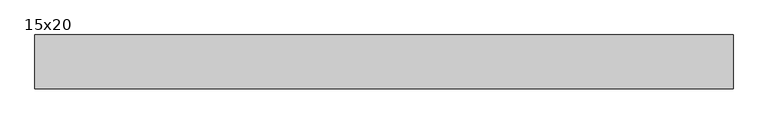
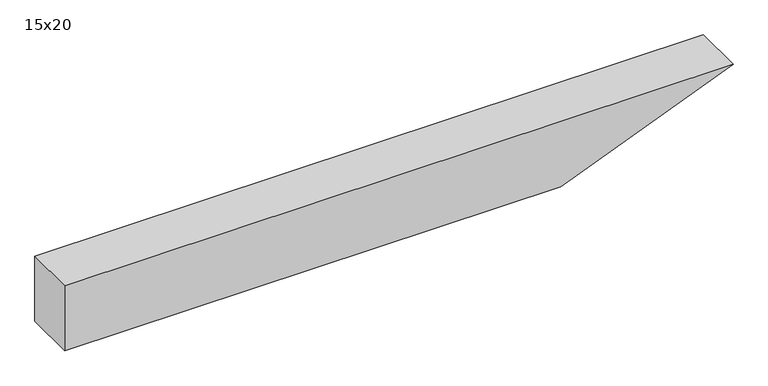
"""IFC4 building model written with IfcOpenShell, lengths in millimetres: beam geometry, 15x20."""

from ifc_helpers import new_model, si_unit, frame, origin, place, context, project, spatial, polyline, outline, extrude, source, transform, mapped, element, save


def beam_15x20_a1709149(model_context):
    return source(origin(), model_context, "Body", "SweptSolid", [
        extrude(outline(polyline([(100.0, -997.5), (-100.0, -997.5), (-100.0, 445.3), (100.0, 947.5), (100.0, -997.5)])), frame((0.0, -75.0, 0.0), z_axis=(0.0, 1.0, 0.0), x_axis=(0.0, 0.0, 1.0)), (0.0, 0.0, 1.0), 150.0),
    ])


if __name__ == "__main__":
    model = new_model("IFC4")
    model_context = context("Model", 3, world=origin())
    ifc_project = project(units=[si_unit("LENGTHUNIT", "METRE", prefix="MILLI")], contexts=[model_context])
    site = spatial("IfcSite", under=ifc_project)
    building = spatial("IfcBuilding", under=site)
    placement = place(None, origin())
    beam_15x20_shape = beam_15x20_a1709149(model_context)
    element("IfcBeam", 1, ObjectType="15x20", at=placement, inside=building, context=model_context, shape_type="MappedRepresentation", body=[
        mapped(beam_15x20_shape, transform((0.0, 0.0, 0.0), x_axis=(1.0, 0.0, 0.0), y_axis=(0.0, 1.0, 0.0), z_axis=(0.0, 0.0, 1.0))),
    ])
    save(model, "model.ifc")
